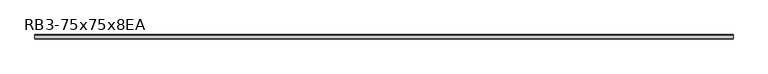
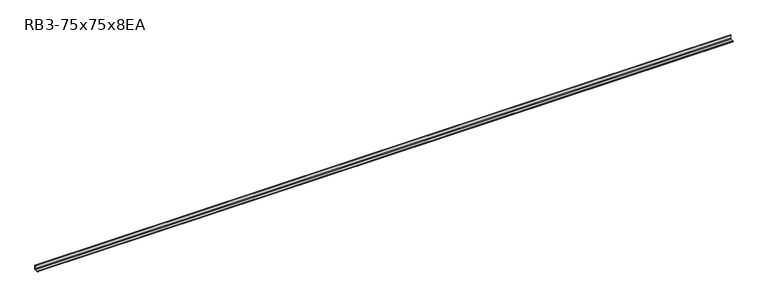
"""IFC4 building model written with IfcOpenShell, lengths in millimetres: member geometry, RB3-75x75x8EA."""

from ifc_helpers import new_model, si_unit, point, frame, frame_2d, origin, place, context, project, spatial, polyline, circle_curve, trimmed, segment, composite_curve, outline, extrude, source, transform, mapped, element, save


def rb3_75x75x8ea_9b88c1cf(model_context):
    return source(origin(), model_context, "Body", "SweptSolid", [
        extrude(outline(composite_curve([segment(polyline([(21.3, -21.3), (-53.7, -21.3), (-53.7, -18.3)]), True, "CONTINUOUS"), segment(trimmed(circle_curve(frame_2d((-48.7, -18.3)), 5.0), [point((-53.7, -18.3))], [point((-48.7, -13.3))], False, "CARTESIAN"), True, "CONTINUOUS"), segment(polyline([(-48.7, -13.3), (5.3, -13.3)]), True, "CONTINUOUS"), segment(trimmed(circle_curve(frame_2d((5.3, -5.3)), 8.0), [point((5.3, -13.3))], [point((13.3, -5.3))], True, "CARTESIAN"), True, "CONTINUOUS"), segment(polyline([(13.3, -5.3), (13.3, 48.7)]), True, "CONTINUOUS"), segment(trimmed(circle_curve(frame_2d((18.3, 48.7)), 5.0), [point((13.3, 48.7))], [point((18.3, 53.7))], False, "CARTESIAN"), True, "CONTINUOUS"), segment(polyline([(18.3, 53.7), (21.3, 53.7), (21.3, -21.3)]), True, "CONTINUOUS")], self_intersect=False)), frame((-5981.5, 0.0, 0.0), z_axis=(1.0, 0.0, 0.0), x_axis=(0.0, 1.0, 0.0)), (0.0, 0.0, 1.0), 11893.0),
    ])


if __name__ == "__main__":
    model = new_model("IFC4")
    model_context = context("Model", 3, world=origin())
    ifc_project = project(units=[si_unit("LENGTHUNIT", "METRE", prefix="MILLI")], contexts=[model_context])
    site = spatial("IfcSite", under=ifc_project)
    building = spatial("IfcBuilding", under=site)
    placement = place(None, origin())
    rb3_75x75x8ea_shape = rb3_75x75x8ea_9b88c1cf(model_context)
    element("IfcMember", 1, ObjectType="RB3-75x75x8EA", at=placement, inside=building, context=model_context, shape_type="MappedRepresentation", body=[
        mapped(rb3_75x75x8ea_shape, transform((0.0, 0.0, 0.0), x_axis=(1.0, 0.0, 0.0), y_axis=(0.0, 1.0, 0.0), z_axis=(0.0, 0.0, 1.0))),
    ])
    save(model, "model.ifc")
